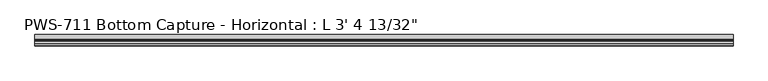
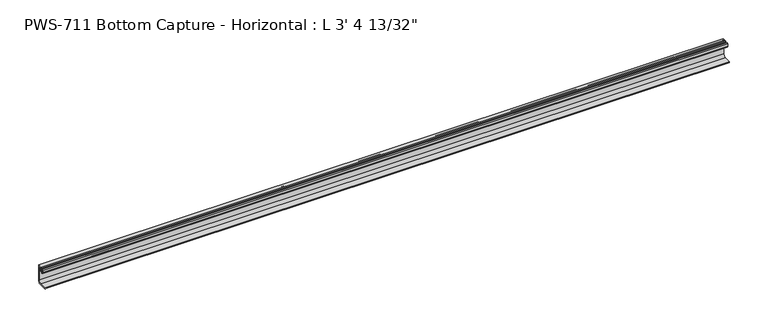
"""IFC4 building model written with IfcOpenShell, lengths in millimetres: proxy geometry."""

import ifcopenshell
import ifcopenshell.guid

model = None  # the IFC model being written
_history = None  # IfcOwnerHistory: only IFC2X3 demands one
_inside = {}  # id of a spatial element -> (the spatial element, [elements in it])
_under = {}  # id of a project, library or spatial element -> (it, [spatial elements below it])
_declared = {}  # id of a project -> (the project, [libraries it declares])
_typed = {}  # id of a type object -> (the type object, [elements of that type])
_made_of = {}  # id of a material, layer set ... -> (it, [elements and type objects made of it])


def new_model(schema):
    """Start an empty IFC model of exactly this schema.

    Asked for "IFC4X3", IfcOpenShell would pick the latest addendum, in which some entities
    have other attributes; the version numbers below select the first issue.
    IFC2X3 requires an IfcOwnerHistory on every rooted entity: one is made here for all.
    """
    global model, _history
    if schema == "IFC4X3":
        model = ifcopenshell.file(schema_version=(4, 3, 0, 0))
    else:
        model = ifcopenshell.file(schema=schema)
    _inside.clear()
    _under.clear()
    _declared.clear()
    _typed.clear()
    _made_of.clear()
    _history = None
    if model.schema == "IFC2X3":
        org = make("IfcOrganization", Name="unknown")
        user = make(
            "IfcPersonAndOrganization",
            ThePerson=make("IfcPerson", FamilyName="unknown"),
            TheOrganization=org,
        )
        app = make(
            "IfcApplication",
            ApplicationDeveloper=org,
            Version="unknown",
            ApplicationFullName="unknown",
            ApplicationIdentifier="unknown",
        )
        _history = make(
            "IfcOwnerHistory",
            OwningUser=user,
            OwningApplication=app,
            ChangeAction="ADDED",
            CreationDate=0,
        )
    return model


def make(cls, **values):
    """One entity of the class cls with the attributes given. An attribute that is None is left unset."""
    return model.create_entity(
        cls, **{name: value for name, value in values.items() if value is not None}
    )


def rooted(cls, **values):
    """An entity with a GlobalId (a new one), such as an element, a storey or a relation."""
    return make(cls, GlobalId=ifcopenshell.guid.new(), OwnerHistory=_history, **values)


def si_unit(unit_type, name, prefix=None):
    """IfcSIUnit, for example si_unit("LENGTHUNIT", "METRE", prefix="MILLI")."""
    return make("IfcSIUnit", UnitType=unit_type, Prefix=prefix, Name=name)


def assignment(units):
    """IfcUnitAssignment: the units of a project."""
    return None if units is None else make("IfcUnitAssignment", Units=units)


def point(xyz):
    """IfcCartesianPoint."""
    return None if xyz is None else make("IfcCartesianPoint", Coordinates=xyz)


def direction(xyz):
    """IfcDirection."""
    return None if xyz is None else make("IfcDirection", DirectionRatios=xyz)


def frame(location, z_axis=None, x_axis=None):
    """IfcAxis2Placement3D, a coordinate frame: its origin and axes. An axis left out is left unset."""
    return make(
        "IfcAxis2Placement3D",
        Location=point(location),
        Axis=direction(z_axis),
        RefDirection=direction(x_axis),
    )


def frame_2d(location, x_axis=None):
    """IfcAxis2Placement2D, a coordinate frame in the plane: its origin and x axis."""
    return make(
        "IfcAxis2Placement2D", Location=point(location), RefDirection=direction(x_axis)
    )


def origin():
    """The frame at (0, 0, 0) with its axes left unset."""
    return frame((0.0, 0.0, 0.0))


def place(relative_to, where):
    """IfcLocalPlacement: puts the frame where relative to a parent placement (None: the world)."""
    return make(
        "IfcLocalPlacement", PlacementRelTo=relative_to, RelativePlacement=where
    )


def context(
    kind, dimensions, precision=None, world=None, true_north=None, identifier=None
):
    """IfcGeometricRepresentationContext, for example the 3D "Model" context."""
    return make(
        "IfcGeometricRepresentationContext",
        ContextIdentifier=identifier,
        ContextType=kind,
        CoordinateSpaceDimension=dimensions,
        Precision=precision,
        WorldCoordinateSystem=world,
        TrueNorth=true_north,
    )


def project(units=None, contexts=None):
    """IfcProject with its units and contexts."""
    return rooted(
        "IfcProject",
        Name="project",
        RepresentationContexts=contexts,
        UnitsInContext=assignment(units),
    )


def spatial(cls, under=None, at=None, **own):
    """A site, building, storey or space (cls), placed at a placement, below another one or the project."""
    s = rooted(cls, ObjectPlacement=at, **own)
    if under is not None:
        _under.setdefault(under.id(), (under, []))[1].append(s)
    return s


def polyline(points):
    """IfcPolyline through the points."""
    return make("IfcPolyline", Points=[point(p) for p in points])


def circle_curve(where, radius):
    """IfcCircle in the frame where."""
    return make("IfcCircle", Position=where, Radius=radius)


def trimmed(basis, trim1, trim2, sense, master):
    """IfcTrimmedCurve: the piece of a basis curve between two trims."""
    return make(
        "IfcTrimmedCurve",
        BasisCurve=basis,
        Trim1=trim1,
        Trim2=trim2,
        SenseAgreement=sense,
        MasterRepresentation=master,
    )


def segment(curve, same_sense, transition):
    """IfcCompositeCurveSegment."""
    return make(
        "IfcCompositeCurveSegment",
        Transition=transition,
        SameSense=same_sense,
        ParentCurve=curve,
    )


def composite_curve(segments, self_intersect=None):
    """IfcCompositeCurve: segments joined end to end."""
    return make("IfcCompositeCurve", Segments=segments, SelfIntersect=self_intersect)


def outline(outer, holes=None, kind="AREA"):
    """IfcArbitraryClosedProfileDef: a profile drawn as a closed curve; with holes, ...WithVoids."""
    if holes is None:
        return make("IfcArbitraryClosedProfileDef", ProfileType=kind, OuterCurve=outer)
    return make(
        "IfcArbitraryProfileDefWithVoids",
        ProfileType=kind,
        OuterCurve=outer,
        InnerCurves=holes,
    )


def extrude(swept, where, along, depth):
    """IfcExtrudedAreaSolid: the profile swept, set in the frame where, extruded along a direction by depth."""
    return make(
        "IfcExtrudedAreaSolid",
        SweptArea=swept,
        Position=where,
        ExtrudedDirection=direction(along),
        Depth=depth,
    )


def shape(context_of_items, identifier, shape_type, items):
    """IfcShapeRepresentation: the items that make up one representation, for example the "Body"."""
    return make(
        "IfcShapeRepresentation",
        ContextOfItems=context_of_items,
        RepresentationIdentifier=identifier,
        RepresentationType=shape_type,
        Items=items,
    )


def source(mapping_origin, context_of_items, identifier, shape_type, items):
    """IfcRepresentationMap: a shape defined once, which mapped items show again and again."""
    return make(
        "IfcRepresentationMap",
        MappingOrigin=mapping_origin,
        MappedRepresentation=shape(context_of_items, identifier, shape_type, items),
    )


def transform(
    local_origin,
    x_axis=None,
    y_axis=None,
    z_axis=None,
    scale=None,
    scale2=None,
    scale3=None,
    uniform=True,
):
    """IfcCartesianTransformationOperator3D, or its non-uniform kind. x_axis, y_axis, z_axis: its Axis1, 2, 3."""
    if uniform:
        return make(
            "IfcCartesianTransformationOperator3D",
            Axis1=direction(x_axis),
            Axis2=direction(y_axis),
            LocalOrigin=point(local_origin),
            Scale=scale,
            Axis3=direction(z_axis),
        )
    return make(
        "IfcCartesianTransformationOperator3DnonUniform",
        Axis1=direction(x_axis),
        Axis2=direction(y_axis),
        LocalOrigin=point(local_origin),
        Scale=scale,
        Axis3=direction(z_axis),
        Scale2=scale2,
        Scale3=scale3,
    )


def mapped(mapping_source, mapping_target):
    """IfcMappedItem: shows the shape of a source again, moved by a transform."""
    return make(
        "IfcMappedItem", MappingSource=mapping_source, MappingTarget=mapping_target
    )


def made_of(thing, what):
    """Note that an element or type object is made of a material, layer set ...; save() writes the relation."""
    if what is not None:
        _made_of.setdefault(what.id(), (what, []))[1].append(thing)
    return thing


def element(
    cls,
    number,
    at=None,
    inside=None,
    cuts=None,
    type_object=None,
    material=None,
    context=None,
    identifier="Body",
    shape_type=None,
    held_by="IfcProductDefinitionShape",
    body=None,
    shapes=None,
    **own,
):
    """One element of the class cls, such as IfcWall. Its Tag is "e" and its number.

    at: its placement. inside: the storey or other place that contains it. cuts: it is an
    opening in that element (IfcRelVoidsElement). A single representation is given by context,
    identifier, shape_type and body (its items); several are given by shapes. held_by: the class
    of the entity that holds the representations. save() writes the other relations.
    """
    e = rooted(cls, Tag="e%d" % number, ObjectPlacement=at, **own)
    if body is not None:
        shapes = [shape(context, identifier, shape_type, body)]
    if shapes is not None:
        e.Representation = make(held_by, Representations=shapes)
    if inside is not None:
        _inside.setdefault(inside.id(), (inside, []))[1].append(e)
    if cuts is not None:
        rooted(
            "IfcRelVoidsElement", RelatingBuildingElement=cuts, RelatedOpeningElement=e
        )
    if type_object is not None:
        _typed.setdefault(type_object.id(), (type_object, []))[1].append(e)
    return made_of(e, material)


def aggregate(whole, parts):
    """IfcRelAggregates: a whole, such as a stair, and the parts it consists of."""
    return rooted("IfcRelAggregates", RelatingObject=whole, RelatedObjects=parts)


def save(model, path):
    """Write the relations noted so far, then the file.

    IfcRelAggregates (storeys below a building ...), IfcRelContainedInSpatialStructure (elements
    in a storey), IfcRelDefinesByType, IfcRelAssociatesMaterial and IfcRelDeclares: one each for
    every whole, place, type object, material and project.
    """
    for whole, parts in _under.values():
        aggregate(whole, parts)
    for where, things in _inside.values():
        rooted(
            "IfcRelContainedInSpatialStructure",
            RelatedElements=things,
            RelatingStructure=where,
        )
    for kind, things in _typed.values():
        rooted("IfcRelDefinesByType", RelatedObjects=things, RelatingType=kind)
    for what, things in _made_of.values():
        rooted("IfcRelAssociatesMaterial", RelatedObjects=things, RelatingMaterial=what)
    for by, libraries in _declared.values():
        rooted("IfcRelDeclares", RelatingContext=by, RelatedDefinitions=libraries)
    model.write(path)


def proxy_1e7c1d8b(model_context):
    return source(origin(), model_context, "Body", "SweptSolid", [
        extrude(outline(composite_curve([segment(trimmed(circle_curve(frame_2d((7.4969327, 25.3660159)), 3.2037832), [point((8.128, 22.225))], [point((10.541, 24.367076))], True, "CARTESIAN"), True, "CONTINUOUS"), segment(polyline([(10.541, 24.367076), (10.541, 26.8752912), (9.652, 26.8752912), (9.652, 27.6666341)]), True, "CONTINUOUS"), segment(trimmed(circle_curve(frame_2d((10.7705936, 27.4320794)), 1.1429206), [point((9.652, 27.6666341))], [point((10.7705936, 28.575))], False, "CARTESIAN"), True, "CONTINUOUS"), segment(polyline([(10.7705936, 28.575), (16.8275, 28.575), (16.8275, 2.032), (15.24, 2.032), (15.24, 0.0), (0.79375, 0.0)]), True, "CONTINUOUS"), segment(trimmed(circle_curve(frame_2d((0.79375, 0.79375)), 0.79375), [point((0.79375, 0.0))], [point((0.79375, 1.5875))], False, "CARTESIAN"), True, "CONTINUOUS"), segment(polyline([(0.79375, 1.5875), (10.9894826, 1.5875)]), True, "CONTINUOUS"), segment(trimmed(circle_curve(frame_2d((10.0322652, 6.7952348)), 5.2949756), [point((10.9894826, 1.5875))], [point((15.1327452, 5.3733097))], True, "CARTESIAN"), True, "CONTINUOUS"), segment(polyline([(15.1327452, 5.3733097), (15.1327452, 26.19248)]), True, "CONTINUOUS"), segment(trimmed(circle_curve(frame_2d((14.3377252, 26.19248)), 0.79502), [point((15.1327452, 26.19248))], [point((14.3377252, 26.9875))], True, "CARTESIAN"), True, "CONTINUOUS"), segment(polyline([(14.3377252, 26.9875), (12.92352, 26.9875)]), True, "CONTINUOUS"), segment(trimmed(circle_curve(frame_2d((12.92352, 26.19248)), 0.79502), [point((12.92352, 26.9875))], [point((12.1285, 26.19248))], True, "CARTESIAN"), True, "CONTINUOUS"), segment(polyline([(12.1285, 26.19248), (12.1285, 24.1392401)]), True, "CONTINUOUS"), segment(trimmed(circle_curve(frame_2d((7.4969327, 25.3660159)), 4.7912832), [point((12.1285, 24.1392401))], [point((8.128, 20.6164739))], False, "CARTESIAN"), True, "CONTINUOUS"), segment(trimmed(circle_curve(frame_2d((8.7590673, 25.3660159)), 4.7912832), [point((8.128, 20.6164739))], [point((4.1275, 24.1392401))], False, "CARTESIAN"), True, "CONTINUOUS"), segment(polyline([(4.1275, 24.1392401), (4.1275, 27.813), (6.4647806, 27.813)]), True, "CONTINUOUS"), segment(trimmed(circle_curve(frame_2d((5.5030121, 27.2398966)), 1.1195742), [point((6.4647806, 27.813))], [point((6.5615531, 26.8752912))], False, "CARTESIAN"), True, "CONTINUOUS"), segment(polyline([(6.5615531, 26.8752912), (5.715, 26.8752912), (5.715, 24.367076)]), True, "CONTINUOUS"), segment(trimmed(circle_curve(frame_2d((8.7590673, 25.3660159)), 3.2037832), [point((5.715, 24.367076))], [point((8.128, 22.225))], True, "CARTESIAN"), True, "CONTINUOUS")], self_intersect=False)), frame((0.0, 0.0, 0.0), z_axis=(1.0, 0.0, 0.0), x_axis=(0.0, 1.0, 0.0)), (0.0, 0.0, 1.0), 1026.31875),
    ])


if __name__ == "__main__":
    model = new_model("IFC4")
    model_context = context("Model", 3, world=origin())
    ifc_project = project(units=[si_unit("LENGTHUNIT", "METRE", prefix="MILLI")], contexts=[model_context])
    site = spatial("IfcSite", under=ifc_project)
    building = spatial("IfcBuilding", under=site)
    placement = place(None, origin())
    proxy_shape = proxy_1e7c1d8b(model_context)
    element("IfcBuildingElementProxy", 1, Name="PWS-711 Bottom Capture - Horizontal : L 3' 4 13/32\"", ObjectType="PWS-711 Bottom Capture - Horizontal : L 3' 4 13/32\"", at=placement, inside=building, context=model_context, shape_type="MappedRepresentation", body=[
        mapped(proxy_shape, transform((0.0, 0.0, 0.0), x_axis=(1.0, 0.0, 0.0), y_axis=(0.0, 1.0, 0.0), z_axis=(0.0, 0.0, 1.0))),
    ])
    save(model, "model.ifc")
